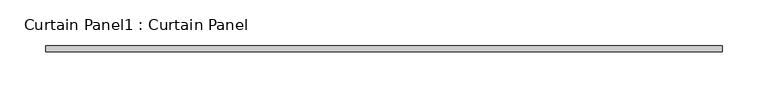
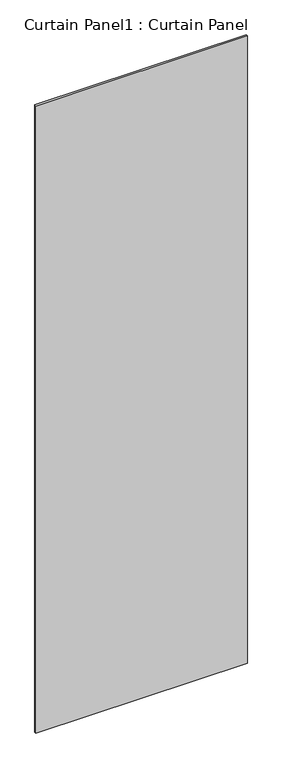
"""IFC4 building model written with IfcOpenShell, lengths in millimetres: plate geometry, Curtain Panel1 : Curtain Panel."""

from ifc_helpers import new_model, si_unit, frame, origin, place, context, project, spatial, polyline, outline, extrude, source, transform, mapped, element, save


def curtain_panel1_curtain_panel_4cef0e20(model_context):
    return source(origin(), model_context, "Body", "SweptSolid", [
        extrude(outline(polyline([(-50687.9711141, -1987.4352036), (-51426.9841141, -1987.4352036), (-51426.9841141, -1981.0852036), (-50687.9711141, -1981.0852036), (-50687.9711141, -1987.4352036)])), frame((0.0, 0.0, 5811.8015398), z_axis=(0.0, 0.0, 1.0), x_axis=(1.0, 0.0, 0.0)), (0.0, 0.0, 1.0), 2315.3878),
    ])


if __name__ == "__main__":
    model = new_model("IFC4")
    model_context = context("Model", 3, world=origin())
    ifc_project = project(units=[si_unit("LENGTHUNIT", "METRE", prefix="MILLI")], contexts=[model_context])
    site = spatial("IfcSite", under=ifc_project)
    building = spatial("IfcBuilding", under=site)
    placement = place(None, origin())
    curtain_panel1_curtain_panel_shape = curtain_panel1_curtain_panel_4cef0e20(model_context)
    element("IfcPlate", 1, ObjectType="Curtain Panel1 : Curtain Panel", at=placement, inside=building, context=model_context, shape_type="MappedRepresentation", body=[
        mapped(curtain_panel1_curtain_panel_shape, transform((0.0, 0.0, 0.0), x_axis=(1.0, 0.0, 0.0), y_axis=(0.0, 1.0, 0.0), z_axis=(0.0, 0.0, 1.0))),
    ])
    save(model, "model.ifc")
